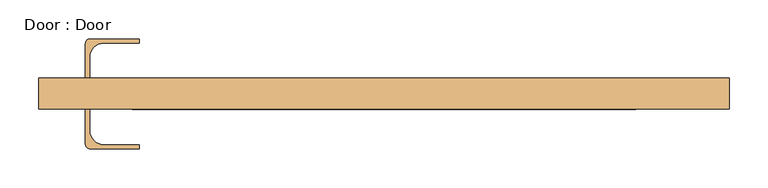
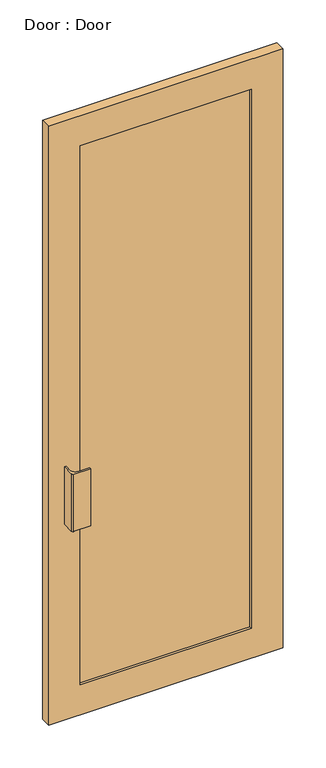
"""IFC4 building model written with IfcOpenShell, lengths in millimetres: door geometry, Door : Door."""

from ifc_helpers import new_model, si_unit, point, frame, frame_2d, origin, place, context, project, spatial, polyline, circle_curve, trimmed, segment, composite_curve, outline, extrude, source, transform, mapped, element, save


def door_door_7e21bd07(model_context):
    return source(origin(), model_context, "Body", "SweptSolid", [
        extrude(outline(composite_curve([segment(polyline([(-384.5, 20.0), (-384.5, 65.0)]), True, "CONTINUOUS"), segment(trimmed(circle_curve(frame_2d((-378.5, 65.0)), 6.0), [point((-384.5, 65.0))], [point((-378.5, 71.0))], False, "CARTESIAN"), True, "CONTINUOUS"), segment(polyline([(-378.5, 71.0), (-315.5, 71.0), (-315.5, 65.5), (-361.0, 65.5)]), True, "CONTINUOUS"), segment(trimmed(circle_curve(frame_2d((-361.0, 47.5)), 18.0), [point((-361.0, 65.5))], [point((-379.0, 47.5))], True, "CARTESIAN"), True, "CONTINUOUS"), segment(polyline([(-379.0, 47.5), (-379.0, 20.0), (-384.5, 20.0)]), True, "CONTINUOUS")], self_intersect=False)), frame((0.0, 0.0, 785.0), z_axis=(0.0, 0.0, 1.0), x_axis=(1.0, 0.0, 0.0)), (0.0, 0.0, 1.0), 230.0),
        extrude(outline(composite_curve([segment(polyline([(-384.5, -20.0), (-379.0, -20.0), (-379.0, -47.5)]), True, "CONTINUOUS"), segment(trimmed(circle_curve(frame_2d((-361.0, -47.5)), 18.0), [point((-379.0, -47.5))], [point((-361.0, -65.5))], True, "CARTESIAN"), True, "CONTINUOUS"), segment(polyline([(-361.0, -65.5), (-315.5, -65.5), (-315.5, -71.0), (-378.5, -71.0)]), True, "CONTINUOUS"), segment(trimmed(circle_curve(frame_2d((-378.5, -65.0)), 6.0), [point((-378.5, -71.0))], [point((-384.5, -65.0))], False, "CARTESIAN"), True, "CONTINUOUS"), segment(polyline([(-384.5, -65.0), (-384.5, -20.0)]), True, "CONTINUOUS")], self_intersect=False)), frame((0.0, 0.0, 785.0), z_axis=(0.0, 0.0, 1.0), x_axis=(1.0, 0.0, 0.0)), (0.0, 0.0, 1.0), 230.0),
        extrude(outline(polyline([(324.5, -10.0), (-324.5, -10.0), (-324.5, 10.0), (324.5, 10.0), (324.5, -10.0)])), frame((0.0, 0.0, 120.0), z_axis=(0.0, 0.0, 1.0), x_axis=(1.0, 0.0, 0.0)), (0.0, 0.0, 1.0), 2160.3),
        extrude(outline(polyline([(2400.3, -444.5), (0.0, -444.5), (0.0, 444.5), (2400.3, 444.5), (2400.3, -444.5)]), holes=[polyline([(2280.3, -324.5), (2280.3, 324.5), (120.0, 324.5), (120.0, -324.5), (2280.3, -324.5)])]), frame((0.0, -20.0, 0.0), z_axis=(0.0, 1.0, 0.0), x_axis=(0.0, 0.0, 1.0)), (0.0, 0.0, 1.0), 40.0),
    ])


if __name__ == "__main__":
    model = new_model("IFC4")
    model_context = context("Model", 3, world=origin())
    ifc_project = project(units=[si_unit("LENGTHUNIT", "METRE", prefix="MILLI")], contexts=[model_context])
    site = spatial("IfcSite", under=ifc_project)
    building = spatial("IfcBuilding", under=site)
    placement = place(None, origin())
    door_door_shape = door_door_7e21bd07(model_context)
    element("IfcDoor", 1, ObjectType="Door : Door", at=placement, inside=building, context=model_context, shape_type="MappedRepresentation", body=[
        mapped(door_door_shape, transform((0.0, 0.0, 0.0), x_axis=(1.0, 0.0, 0.0), y_axis=(0.0, 1.0, 0.0), z_axis=(0.0, 0.0, 1.0))),
    ])
    save(model, "model.ifc")
